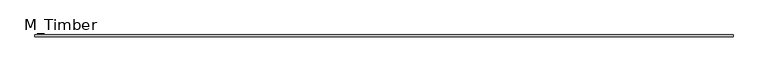
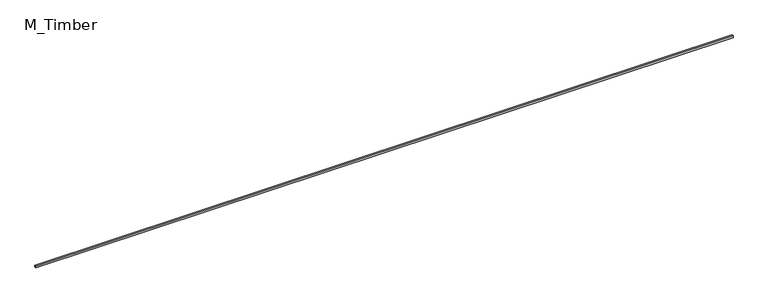
"""IFC4 building model written with IfcOpenShell, lengths in millimetres: beam geometry, M_Timber."""

from ifc_helpers import new_model, si_unit, frame, origin, place, context, project, spatial, polyline, outline, extrude, source, transform, mapped, element, save


def m_timber_8d861a3a(model_context):
    return source(origin(), model_context, "Body", "SweptSolid", [
        extrude(outline(polyline([(7994.7877473, 20.0), (7994.7877473, -20.0), (-7994.7877473, -20.0), (-7994.7877473, 20.0), (7994.7877473, 20.0)])), frame((0.0, 0.0, -20.0), z_axis=(0.0, 0.0, 1.0), x_axis=(1.0, 0.0, 0.0)), (0.0, 0.0, 1.0), 40.0),
    ])


if __name__ == "__main__":
    model = new_model("IFC4")
    model_context = context("Model", 3, world=origin())
    ifc_project = project(units=[si_unit("LENGTHUNIT", "METRE", prefix="MILLI")], contexts=[model_context])
    site = spatial("IfcSite", under=ifc_project)
    building = spatial("IfcBuilding", under=site)
    placement = place(None, origin())
    m_timber_shape = m_timber_8d861a3a(model_context)
    element("IfcBeam", 1, ObjectType="M_Timber", at=placement, inside=building, context=model_context, shape_type="MappedRepresentation", body=[
        mapped(m_timber_shape, transform((0.0, 0.0, 0.0), x_axis=(1.0, 0.0, 0.0), y_axis=(0.0, 1.0, 0.0), z_axis=(0.0, 0.0, 1.0))),
    ])
    save(model, "model.ifc")
